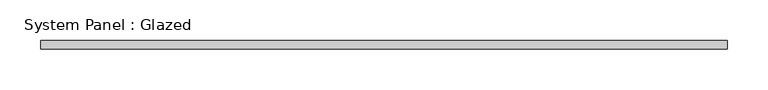
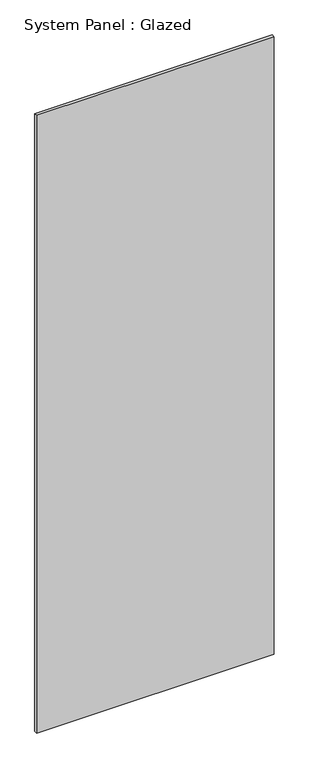
"""IFC4 building model written with IfcOpenShell, lengths in millimetres: plate geometry, System Panel : Glazed."""

from ifc_helpers import new_model, si_unit, origin, origin_with_axes, place, context, project, spatial, polyline, outline, extrude, source, transform, mapped, element, save


def system_panel_glazed_bedf3e46(model_context):
    return source(origin(), model_context, "Body", "SweptSolid", [
        extrude(outline(polyline([(418.606875, -5.0), (-418.606875, -5.0), (-418.606875, 5.0), (418.606875, 5.0), (418.606875, -5.0)])), origin_with_axes(), (0.0, 0.0, 1.0), 2300.0),
    ])


if __name__ == "__main__":
    model = new_model("IFC4")
    model_context = context("Model", 3, world=origin())
    ifc_project = project(units=[si_unit("LENGTHUNIT", "METRE", prefix="MILLI")], contexts=[model_context])
    site = spatial("IfcSite", under=ifc_project)
    building = spatial("IfcBuilding", under=site)
    placement = place(None, origin())
    system_panel_glazed_shape = system_panel_glazed_bedf3e46(model_context)
    element("IfcPlate", 1, ObjectType="System Panel : Glazed", at=placement, inside=building, context=model_context, shape_type="MappedRepresentation", body=[
        mapped(system_panel_glazed_shape, transform((0.0, 0.0, 0.0), x_axis=(1.0, 0.0, 0.0), y_axis=(0.0, 1.0, 0.0), z_axis=(0.0, 0.0, 1.0))),
    ])
    save(model, "model.ifc")
